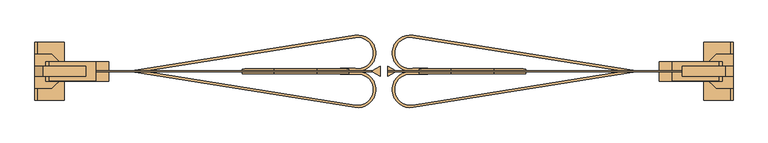
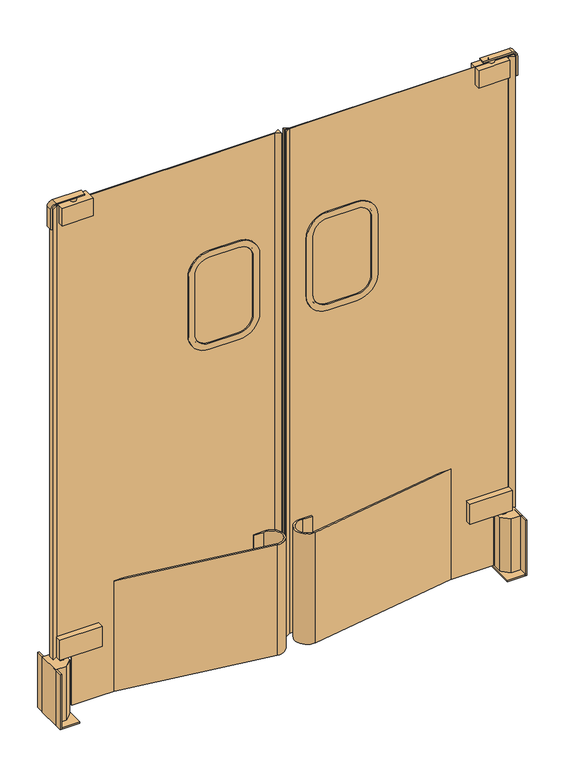
"""IFC4 building model written with IfcOpenShell, lengths in millimetres: door geometry."""

from ifc_helpers import new_model, si_unit, point, frame, frame_2d, origin, origin_with_axes, place, context, project, spatial, polyline, circle_curve, trimmed, segment, composite_curve, outline, extrude, source, transform, mapped, element, save
from ifc_brep_helpers import plane_surface, cylinder_surface, advanced_brep


def door_7c955886(model_context):
    return source(origin(), model_context, "Body", "SolidModel", [
        extrude(outline(composite_curve([segment(trimmed(circle_curve(frame_2d((1638.3, 187.325)), 82.55), [point((1720.85, 187.325))], [point((1638.3, 104.775))], False, "CARTESIAN"), True, "CONTINUOUS"), segment(polyline([(1638.3, 104.775), (1397.0, 104.775)]), True, "CONTINUOUS"), segment(trimmed(circle_curve(frame_2d((1397.0, 187.325)), 82.55), [point((1397.0, 104.775))], [point((1314.45, 187.325))], False, "CARTESIAN"), True, "CONTINUOUS"), segment(polyline([(1314.45, 187.325), (1314.45, 301.625)]), True, "CONTINUOUS"), segment(trimmed(circle_curve(frame_2d((1397.0, 301.625)), 82.55), [point((1314.45, 301.625))], [point((1397.0, 384.175))], False, "CARTESIAN"), True, "CONTINUOUS"), segment(polyline([(1397.0, 384.175), (1638.3, 384.175)]), True, "CONTINUOUS"), segment(trimmed(circle_curve(frame_2d((1638.3, 301.625)), 82.55), [point((1638.3, 384.175))], [point((1720.85, 301.625))], False, "CARTESIAN"), True, "CONTINUOUS"), segment(polyline([(1720.85, 301.625), (1720.85, 187.325)]), True, "CONTINUOUS")], self_intersect=False), holes=[composite_curve([segment(trimmed(circle_curve(frame_2d((1638.3, 187.325)), 57.15), [point((1638.3, 130.175))], [point((1695.45, 187.325))], True, "CARTESIAN"), True, "CONTINUOUS"), segment(polyline([(1695.45, 187.325), (1695.45, 301.625)]), True, "CONTINUOUS"), segment(trimmed(circle_curve(frame_2d((1638.3, 301.625)), 57.15), [point((1695.45, 301.625))], [point((1638.3, 358.775))], True, "CARTESIAN"), True, "CONTINUOUS"), segment(polyline([(1638.3, 358.775), (1397.0, 358.775)]), True, "CONTINUOUS"), segment(trimmed(circle_curve(frame_2d((1397.0, 301.625)), 57.15), [point((1397.0, 358.775))], [point((1339.85, 301.625))], True, "CARTESIAN"), True, "CONTINUOUS"), segment(polyline([(1339.85, 301.625), (1339.85, 187.325)]), True, "CONTINUOUS"), segment(trimmed(circle_curve(frame_2d((1397.0, 187.325)), 57.15), [point((1339.85, 187.325))], [point((1397.0, 130.175))], True, "CARTESIAN"), True, "CONTINUOUS"), segment(polyline([(1397.0, 130.175), (1638.3, 130.175)]), True, "CONTINUOUS")], self_intersect=False)]), frame((0.0, -15.8310058, 0.0), z_axis=(0.0, 1.0, 0.0), x_axis=(0.0, 0.0, 1.0)), (0.0, 0.0, 1.0), 11.90625),
        extrude(outline(composite_curve([segment(trimmed(circle_curve(frame_2d((1397.0, 187.325)), 57.15), [point((1397.0, 130.175))], [point((1339.85, 187.325))], False, "CARTESIAN"), True, "CONTINUOUS"), segment(polyline([(1339.85, 187.325), (1339.85, 301.625)]), True, "CONTINUOUS"), segment(trimmed(circle_curve(frame_2d((1397.0, 301.625)), 57.15), [point((1339.85, 301.625))], [point((1397.0, 358.775))], False, "CARTESIAN"), True, "CONTINUOUS"), segment(polyline([(1397.0, 358.775), (1638.3, 358.775)]), True, "CONTINUOUS"), segment(trimmed(circle_curve(frame_2d((1638.3, 301.625)), 57.15), [point((1638.3, 358.775))], [point((1695.45, 301.625))], False, "CARTESIAN"), True, "CONTINUOUS"), segment(polyline([(1695.45, 301.625), (1695.45, 187.325)]), True, "CONTINUOUS"), segment(trimmed(circle_curve(frame_2d((1638.3, 187.325)), 57.15), [point((1695.45, 187.325))], [point((1638.3, 130.175))], False, "CARTESIAN"), True, "CONTINUOUS"), segment(polyline([(1638.3, 130.175), (1397.0, 130.175)]), True, "CONTINUOUS")], self_intersect=False)), frame((0.0, -11.0685058, 0.0), z_axis=(0.0, 1.0, 0.0), x_axis=(0.0, 0.0, 1.0)), (0.0, 0.0, 1.0), 2.38125),
        extrude(outline(composite_curve([segment(trimmed(circle_curve(frame_2d((1638.3, -276.225)), 82.55), [point((1720.85, -276.225))], [point((1638.3, -358.775))], False, "CARTESIAN"), True, "CONTINUOUS"), segment(polyline([(1638.3, -358.775), (1397.0, -358.775)]), True, "CONTINUOUS"), segment(trimmed(circle_curve(frame_2d((1397.0, -276.225)), 82.55), [point((1397.0, -358.775))], [point((1314.45, -276.225))], False, "CARTESIAN"), True, "CONTINUOUS"), segment(polyline([(1314.45, -276.225), (1314.45, -161.925)]), True, "CONTINUOUS"), segment(trimmed(circle_curve(frame_2d((1397.0, -161.925)), 82.55), [point((1314.45, -161.925))], [point((1397.0, -79.375))], False, "CARTESIAN"), True, "CONTINUOUS"), segment(polyline([(1397.0, -79.375), (1638.3, -79.375)]), True, "CONTINUOUS"), segment(trimmed(circle_curve(frame_2d((1638.3, -161.925)), 82.55), [point((1638.3, -79.375))], [point((1720.85, -161.925))], False, "CARTESIAN"), True, "CONTINUOUS"), segment(polyline([(1720.85, -161.925), (1720.85, -276.225)]), True, "CONTINUOUS")], self_intersect=False), holes=[composite_curve([segment(trimmed(circle_curve(frame_2d((1638.3, -276.225)), 57.15), [point((1638.3, -333.375))], [point((1695.45, -276.225))], True, "CARTESIAN"), True, "CONTINUOUS"), segment(polyline([(1695.45, -276.225), (1695.45, -161.925)]), True, "CONTINUOUS"), segment(trimmed(circle_curve(frame_2d((1638.3, -161.925)), 57.15), [point((1695.45, -161.925))], [point((1638.3, -104.775))], True, "CARTESIAN"), True, "CONTINUOUS"), segment(polyline([(1638.3, -104.775), (1397.0, -104.775)]), True, "CONTINUOUS"), segment(trimmed(circle_curve(frame_2d((1397.0, -161.925)), 57.15), [point((1397.0, -104.775))], [point((1339.85, -161.925))], True, "CARTESIAN"), True, "CONTINUOUS"), segment(polyline([(1339.85, -161.925), (1339.85, -276.225)]), True, "CONTINUOUS"), segment(trimmed(circle_curve(frame_2d((1397.0, -276.225)), 57.15), [point((1339.85, -276.225))], [point((1397.0, -333.375))], True, "CARTESIAN"), True, "CONTINUOUS"), segment(polyline([(1397.0, -333.375), (1638.3, -333.375)]), True, "CONTINUOUS")], self_intersect=False)]), frame((0.0, -15.8310058, 0.0), z_axis=(0.0, 1.0, 0.0), x_axis=(0.0, 0.0, 1.0)), (0.0, 0.0, 1.0), 11.90625),
        extrude(outline(composite_curve([segment(trimmed(circle_curve(frame_2d((1397.0, -276.225)), 57.15), [point((1397.0, -333.375))], [point((1339.85, -276.225))], False, "CARTESIAN"), True, "CONTINUOUS"), segment(polyline([(1339.85, -276.225), (1339.85, -161.925)]), True, "CONTINUOUS"), segment(trimmed(circle_curve(frame_2d((1397.0, -161.925)), 57.15), [point((1339.85, -161.925))], [point((1397.0, -104.775))], False, "CARTESIAN"), True, "CONTINUOUS"), segment(polyline([(1397.0, -104.775), (1638.3, -104.775)]), True, "CONTINUOUS"), segment(trimmed(circle_curve(frame_2d((1638.3, -161.925)), 57.15), [point((1638.3, -104.775))], [point((1695.45, -161.925))], False, "CARTESIAN"), True, "CONTINUOUS"), segment(polyline([(1695.45, -161.925), (1695.45, -276.225)]), True, "CONTINUOUS"), segment(trimmed(circle_curve(frame_2d((1638.3, -276.225)), 57.15), [point((1695.45, -276.225))], [point((1638.3, -333.375))], False, "CARTESIAN"), True, "CONTINUOUS"), segment(polyline([(1638.3, -333.375), (1397.0, -333.375)]), True, "CONTINUOUS")], self_intersect=False)), frame((0.0, -11.0685058, 0.0), z_axis=(0.0, 1.0, 0.0), x_axis=(0.0, 0.0, 1.0)), (0.0, 0.0, 1.0), 2.38125),
        extrude(outline(composite_curve([segment(polyline([(87.8971768, -98.2303993), (632.8910199, -11.0685058), (673.1, -11.0685058), (88.9, -104.5007139)]), True, "CONTINUOUS"), segment(trimmed(circle_curve(frame_2d((81.4286053, -57.7846098)), 47.3097888), [point((88.9, -104.5007139))], [point((88.9, -11.0685058))], False, "CARTESIAN"), True, "CONTINUOUS"), segment(polyline([(88.9, -11.0685058), (127.0, -11.0685058), (127.0, -17.4185058), (88.3771262, -17.4185058)]), True, "CONTINUOUS"), segment(trimmed(circle_curve(frame_2d((81.4286053, -57.7846098)), 40.9597888), [point((88.3771262, -17.4185058))], [point((87.8971768, -98.2303993))], True, "CARTESIAN"), True, "CONTINUOUS")], self_intersect=False)), frame((0.0, 0.0, 25.4), z_axis=(0.0, 0.0, 1.0), x_axis=(1.0, 0.0, 0.0)), (0.0, 0.0, 1.0), 457.2),
        extrude(outline(composite_curve([segment(polyline([(-62.4971768, 78.4746378), (-607.4910199, -8.6872558), (-647.7, -8.6872558), (-63.5, 84.7449524)]), True, "CONTINUOUS"), segment(trimmed(circle_curve(frame_2d((-56.0286053, 38.0288483)), 47.3097888), [point((-63.5, 84.7449524))], [point((-63.5, -8.6872558))], False, "CARTESIAN"), True, "CONTINUOUS"), segment(polyline([(-63.5, -8.6872558), (-101.6, -8.6872558), (-101.6, -2.3372558), (-62.9771262, -2.3372558)]), True, "CONTINUOUS"), segment(trimmed(circle_curve(frame_2d((-56.0286053, 38.0288483)), 40.9597888), [point((-62.9771262, -2.3372558))], [point((-62.4971768, 78.4746378))], True, "CARTESIAN"), True, "CONTINUOUS")], self_intersect=False)), frame((0.0, 0.0, 25.4), z_axis=(0.0, 0.0, 1.0), x_axis=(1.0, 0.0, 0.0)), (0.0, 0.0, 1.0), 457.2),
        extrude(outline(composite_curve([segment(trimmed(circle_curve(frame_2d((-56.0286053, -57.7846098)), 40.9597888), [point((-62.4971768, -98.2303993))], [point((-62.9771262, -17.4185058))], True, "CARTESIAN"), True, "CONTINUOUS"), segment(polyline([(-62.9771262, -17.4185058), (-101.6, -17.4185058), (-101.6, -11.0685058), (-63.5, -11.0685058)]), True, "CONTINUOUS"), segment(trimmed(circle_curve(frame_2d((-56.0286053, -57.7846098)), 47.3097888), [point((-63.5, -11.0685058))], [point((-63.5, -104.5007139))], False, "CARTESIAN"), True, "CONTINUOUS"), segment(polyline([(-63.5, -104.5007139), (-647.7, -11.0685058), (-607.4910199, -11.0685058), (-62.4971768, -98.2303993)]), True, "CONTINUOUS")], self_intersect=False)), frame((0.0, 0.0, 25.4), z_axis=(0.0, 0.0, 1.0), x_axis=(1.0, 0.0, 0.0)), (0.0, 0.0, 1.0), 457.2),
        extrude(outline(composite_curve([segment(trimmed(circle_curve(frame_2d((81.4286053, 38.0288483)), 40.9597888), [point((87.8971768, 78.4746378))], [point((88.3771262, -2.3372558))], True, "CARTESIAN"), True, "CONTINUOUS"), segment(polyline([(88.3771262, -2.3372558), (127.0, -2.3372558), (127.0, -8.6872558), (88.9, -8.6872558)]), True, "CONTINUOUS"), segment(trimmed(circle_curve(frame_2d((81.4286053, 38.0288483)), 47.3097888), [point((88.9, -8.6872558))], [point((88.9, 84.7449524))], False, "CARTESIAN"), True, "CONTINUOUS"), segment(polyline([(88.9, 84.7449524), (673.1, -8.6872558), (632.8910199, -8.6872558), (87.8971768, 78.4746378)]), True, "CONTINUOUS")], self_intersect=False)), frame((0.0, 0.0, 25.4), z_axis=(0.0, 0.0, 1.0), x_axis=(1.0, 0.0, 0.0)), (0.0, 0.0, 1.0), 457.2),
        extrude(outline(polyline([(-873.125, 15.5221192), (-708.025, 15.5221192), (-708.025, -35.2778808), (-873.125, -35.2778808), (-873.125, 15.5221192)])), frame((0.0, 0.0, 247.65), z_axis=(0.0, 0.0, 1.0), x_axis=(1.0, 0.0, 0.0)), (0.0, 0.0, 1.0), 82.55),
        extrude(outline(polyline([(-860.425, -3.5278808), (-847.725, -3.5278808), (-847.725, -16.2278808), (-860.425, -16.2278808), (-860.425, -3.5278808)])), frame((0.0, 0.0, 228.6), z_axis=(0.0, 0.0, 1.0), x_axis=(1.0, 0.0, 0.0)), (0.0, 0.0, 1.0), 19.05),
        extrude(outline(polyline([(-901.7, -54.3278808), (-901.7, 34.5721192), (-857.25, 34.5721192), (-830.3092316, 7.6313509), (-830.3092316, -27.3871124), (-857.25, -54.3278808), (-901.7, -54.3278808)])), origin_with_axes(), (0.0, 0.0, 1.0), 228.6),
        extrude(outline(polyline([(-895.35, -86.0778808), (-901.7, -86.0778808), (-901.7, 66.3221192), (-895.35, 66.3221192), (-895.35, -86.0778808)])), origin_with_axes(), (0.0, 0.0, 1.0), 228.6),
        extrude(outline(polyline([(-901.7, -86.0778808), (-901.7, 66.3221192), (-825.5, 66.3221192), (-825.5, -86.0778808), (-901.7, -86.0778808)])), origin_with_axes(), (0.0, 0.0, 1.0), 6.35),
        extrude(outline(polyline([(898.525, -35.2778808), (733.425, -35.2778808), (733.425, 15.5221192), (898.525, 15.5221192), (898.525, -35.2778808)])), frame((0.0, 0.0, 247.65), z_axis=(0.0, 0.0, 1.0), x_axis=(1.0, 0.0, 0.0)), (0.0, 0.0, 1.0), 82.55),
        extrude(outline(polyline([(885.825, -16.2278808), (873.125, -16.2278808), (873.125, -3.5278808), (885.825, -3.5278808), (885.825, -16.2278808)])), frame((0.0, 0.0, 228.6), z_axis=(0.0, 0.0, 1.0), x_axis=(1.0, 0.0, 0.0)), (0.0, 0.0, 1.0), 19.05),
        extrude(outline(polyline([(927.1, 34.5721192), (927.1, -54.3278808), (882.65, -54.3278808), (855.7092316, -27.3871124), (855.7092316, 7.6313509), (882.65, 34.5721192), (927.1, 34.5721192)])), origin_with_axes(), (0.0, 0.0, 1.0), 228.6),
        extrude(outline(polyline([(920.75, 66.3221192), (927.1, 66.3221192), (927.1, -86.0778808), (920.75, -86.0778808), (920.75, 66.3221192)])), origin_with_axes(), (0.0, 0.0, 1.0), 228.6),
        extrude(outline(polyline([(927.1, 66.3221192), (927.1, -86.0778808), (850.9, -86.0778808), (850.9, 66.3221192), (927.1, 66.3221192)])), origin_with_axes(), (0.0, 0.0, 1.0), 6.35),
        extrude(outline(polyline([(2114.55, 917.575), (2114.55, 22.225), (25.4, 22.225), (25.4, 838.2), (247.65, 838.2), (247.65, 917.575), (2114.55, 917.575)]), holes=[composite_curve([segment(trimmed(circle_curve(frame_2d((1638.3, 187.325)), 63.5), [point((1638.3, 123.825))], [point((1701.8, 187.325))], True, "CARTESIAN"), True, "CONTINUOUS"), segment(polyline([(1701.8, 187.325), (1701.8, 301.625)]), True, "CONTINUOUS"), segment(trimmed(circle_curve(frame_2d((1638.3, 301.625)), 63.5), [point((1701.8, 301.625))], [point((1638.3, 365.125))], True, "CARTESIAN"), True, "CONTINUOUS"), segment(polyline([(1638.3, 365.125), (1397.0, 365.125)]), True, "CONTINUOUS"), segment(trimmed(circle_curve(frame_2d((1397.0, 301.625)), 63.5), [point((1397.0, 365.125))], [point((1333.5, 301.625))], True, "CARTESIAN"), True, "CONTINUOUS"), segment(polyline([(1333.5, 301.625), (1333.5, 187.325)]), True, "CONTINUOUS"), segment(trimmed(circle_curve(frame_2d((1397.0, 187.325)), 63.5), [point((1333.5, 187.325))], [point((1397.0, 123.825))], True, "CARTESIAN"), True, "CONTINUOUS"), segment(polyline([(1397.0, 123.825), (1638.3, 123.825)]), True, "CONTINUOUS")], self_intersect=False)]), frame((0.0, -11.0685058, 0.0), z_axis=(0.0, 1.0, 0.0), x_axis=(0.0, 0.0, 1.0)), (0.0, 0.0, 1.0), 2.38125),
        extrude(outline(polyline([(3.175, 2.8221192), (3.175, -22.5778808), (-17.4472299, -10.6716308), (-17.4472299, -9.0841308), (3.175, 2.8221192)])), frame((0.0, 0.0, 25.4), z_axis=(0.0, 0.0, 1.0), x_axis=(1.0, 0.0, 0.0)), (0.0, 0.0, 1.0), 2089.15),
        extrude(outline(polyline([(22.225, 2.8221192), (42.8472299, -9.0841308), (42.8472299, -10.6716308), (22.225, -22.5778808), (22.225, 2.8221192)])), frame((0.0, 0.0, 25.4), z_axis=(0.0, 0.0, 1.0), x_axis=(1.0, 0.0, 0.0)), (0.0, 0.0, 1.0), 2089.15),
        extrude(outline(polyline([(917.575, 2.8221192), (917.575, -22.5778808), (896.9527701, -10.6716308), (896.9527701, -9.0841308), (917.575, 2.8221192)])), frame((0.0, 0.0, 247.65), z_axis=(0.0, 0.0, 1.0), x_axis=(1.0, 0.0, 0.0)), (0.0, 0.0, 1.0), 1866.9),
        extrude(outline(polyline([(-871.5527701, -10.6716308), (-892.175, -22.5778808), (-892.175, 2.8221192), (-871.5527701, -9.0841308), (-871.5527701, -10.6716308)])), frame((0.0, 0.0, 247.65), z_axis=(0.0, 0.0, 1.0), x_axis=(1.0, 0.0, 0.0)), (0.0, 0.0, 1.0), 1866.9),
        extrude(outline(composite_curve([segment(polyline([(2133.6, -768.35), (2133.6, -881.0625)]), True, "CONTINUOUS"), segment(trimmed(circle_curve(frame_2d((2112.9625, -881.0625)), 20.6375), [point((2133.6, -881.0625))], [point((2112.9625, -901.7))], False, "CARTESIAN"), True, "CONTINUOUS"), segment(polyline([(2112.9625, -901.7), (2032.0, -901.7), (2032.0, -896.9375), (2112.9625, -896.9375)]), True, "CONTINUOUS"), segment(trimmed(circle_curve(frame_2d((2112.9625, -881.0625)), 15.875), [point((2112.9625, -896.9375))], [point((2128.8375, -881.0625))], True, "CARTESIAN"), True, "CONTINUOUS"), segment(polyline([(2128.8375, -881.0625), (2128.8375, -768.35), (2133.6, -768.35)]), True, "CONTINUOUS")], self_intersect=False)), frame((0.0, -22.5778808, 0.0), z_axis=(0.0, 1.0, 0.0), x_axis=(0.0, 0.0, 1.0)), (0.0, 0.0, 1.0), 25.4),
        extrude(outline(polyline([(-863.5148798, 15.5221192), (-742.2611073, 15.5221192), (-742.2611073, -35.2778808), (-863.5148798, -35.2778808), (-863.5148798, 15.5221192)])), frame((0.0, 0.0, 2042.0984652), z_axis=(0.0, 0.0, 1.0), x_axis=(1.0, 0.0, 0.0)), (0.0, 0.0, 1.0), 72.4515348),
        extrude(outline(composite_curve([segment(polyline([(2133.6, 793.75), (2128.8375, 793.75), (2128.8375, 906.4625)]), True, "CONTINUOUS"), segment(trimmed(circle_curve(frame_2d((2112.9625, 906.4625)), 15.875), [point((2128.8375, 906.4625))], [point((2112.9625, 922.3375))], True, "CARTESIAN"), True, "CONTINUOUS"), segment(polyline([(2112.9625, 922.3375), (2032.0, 922.3375), (2032.0, 927.1), (2112.9625, 927.1)]), True, "CONTINUOUS"), segment(trimmed(circle_curve(frame_2d((2112.9625, 906.4625)), 20.6375), [point((2112.9625, 927.1))], [point((2133.6, 906.4625))], False, "CARTESIAN"), True, "CONTINUOUS"), segment(polyline([(2133.6, 906.4625), (2133.6, 793.75)]), True, "CONTINUOUS")], self_intersect=False)), frame((0.0, -22.5778808, 0.0), z_axis=(0.0, 1.0, 0.0), x_axis=(0.0, 0.0, 1.0)), (0.0, 0.0, 1.0), 25.4),
        extrude(outline(polyline([(2114.55, 3.175), (2114.55, -892.175), (247.65, -892.175), (247.65, -812.8), (25.4, -812.8), (25.4, 3.175), (2114.55, 3.175)]), holes=[composite_curve([segment(trimmed(circle_curve(frame_2d((1638.3, -276.225)), 63.5), [point((1638.3, -339.725))], [point((1701.8, -276.225))], True, "CARTESIAN"), True, "CONTINUOUS"), segment(polyline([(1701.8, -276.225), (1701.8, -161.925)]), True, "CONTINUOUS"), segment(trimmed(circle_curve(frame_2d((1638.3, -161.925)), 63.5), [point((1701.8, -161.925))], [point((1638.3, -98.425))], True, "CARTESIAN"), True, "CONTINUOUS"), segment(polyline([(1638.3, -98.425), (1397.0, -98.425)]), True, "CONTINUOUS"), segment(trimmed(circle_curve(frame_2d((1397.0, -161.925)), 63.5), [point((1397.0, -98.425))], [point((1333.5, -161.925))], True, "CARTESIAN"), True, "CONTINUOUS"), segment(polyline([(1333.5, -161.925), (1333.5, -276.225)]), True, "CONTINUOUS"), segment(trimmed(circle_curve(frame_2d((1397.0, -276.225)), 63.5), [point((1333.5, -276.225))], [point((1397.0, -339.725))], True, "CARTESIAN"), True, "CONTINUOUS"), segment(polyline([(1397.0, -339.725), (1638.3, -339.725)]), True, "CONTINUOUS")], self_intersect=False)]), frame((0.0, -11.0685058, 0.0), z_axis=(0.0, 1.0, 0.0), x_axis=(0.0, 0.0, 1.0)), (0.0, 0.0, 1.0), 2.38125),
        extrude(outline(polyline([(767.6611073, 15.5221192), (888.9148798, 15.5221192), (888.9148798, -35.2778808), (767.6611073, -35.2778808), (767.6611073, 15.5221192)])), frame((0.0, 0.0, 2042.0984652), z_axis=(0.0, 0.0, 1.0), x_axis=(1.0, 0.0, 0.0)), (0.0, 0.0, 1.0), 72.4515348),
        advanced_brep(
        [(-795.3375, -9.8778808, 2128.8375), (-817.5625, -9.8778808, 2128.8375), (-817.5625, -9.8778808, 2114.55), (-795.3375, -9.8778808, 2114.55), (-806.45, -9.8778808, 2128.8375), (-806.45, -9.8778808, 2114.55)],
        [
            (0, 1, circle_curve(frame((-806.45, -9.8778808, 2128.8375), z_axis=(0.0, 0.0, -1.0), x_axis=(-1.0, 0.0, 0.0)), 11.1125)),
            (1, 2),
            (2, 3, circle_curve(frame((-806.45, -9.8778808, 2114.55), z_axis=(0.0, 0.0, 1.0), x_axis=(-1.0, 0.0, 0.0)), 11.1125)),
            (3, 0),
            (1, 0, circle_curve(frame((-806.45, -9.8778808, 2128.8375), z_axis=(0.0, 0.0, -1.0), x_axis=(-1.0, 0.0, 0.0)), 11.1125)),
            (3, 2, circle_curve(frame((-806.45, -9.8778808, 2114.55), z_axis=(0.0, 0.0, 1.0), x_axis=(-1.0, 0.0, 0.0)), 11.1125)),
            (4, 1),
            (0, 4),
            (2, 5),
            (5, 3),
        ],
        [
            cylinder_surface(frame((-806.45, -9.8778808, -41.502018), z_axis=(0.0, 0.0, 1.0), x_axis=(-1.0, 0.0, 0.0)), 11.1125),
            plane_surface(frame((-806.45, -9.8778808, 2128.8375), z_axis=(0.0, 0.0, 1.0), x_axis=(-1.0, 0.0, 0.0))),
            plane_surface(frame((-806.45, -9.8778808, 2114.55), z_axis=(0.0, 0.0, -1.0), x_axis=(-1.0, 0.0, 0.0))),
        ],
        [
            (0, [[1, 2, 3, 4]]),
            (0, [[5, -4, 6, -2]]),
            (1, [[7, -1, 8]]),
            (1, [[-8, -5, -7]]),
            (2, [[-3, 9, 10]]),
            (2, [[-6, -10, -9]]),
        ],
    ),
        advanced_brep(
        [(831.85, -9.8778808, 2114.55), (842.9625, -9.8778808, 2114.55), (820.7375, -9.8778808, 2114.55), (820.7375, -9.8778808, 2128.8375), (842.9625, -9.8778808, 2128.8375), (831.85, -9.8778808, 2128.8375)],
        [
            (0, 1),
            (1, 2, circle_curve(frame((831.85, -9.8778808, 2114.55), z_axis=(0.0, 0.0, -1.0), x_axis=(1.0, 0.0, 0.0)), 11.1125)),
            (2, 0),
            (2, 1, circle_curve(frame((831.85, -9.8778808, 2114.55), z_axis=(0.0, 0.0, -1.0), x_axis=(1.0, 0.0, 0.0)), 11.1125)),
            (3, 4, circle_curve(frame((831.85, -9.8778808, 2128.8375), z_axis=(0.0, 0.0, 1.0), x_axis=(1.0, 0.0, 0.0)), 11.1125)),
            (4, 5),
            (5, 3),
            (4, 3, circle_curve(frame((831.85, -9.8778808, 2128.8375), z_axis=(0.0, 0.0, 1.0), x_axis=(1.0, 0.0, 0.0)), 11.1125)),
            (1, 4),
            (3, 2),
        ],
        [
            plane_surface(frame((831.85, -9.8778808, 2114.55), z_axis=(0.0, 0.0, -1.0), x_axis=(1.0, 0.0, 0.0))),
            plane_surface(frame((831.85, -9.8778808, 2128.8375), z_axis=(0.0, 0.0, 1.0), x_axis=(1.0, 0.0, 0.0))),
            cylinder_surface(frame((831.85, -9.8778808, -41.502018), z_axis=(0.0, 0.0, -1.0), x_axis=(1.0, 0.0, 0.0)), 11.1125),
        ],
        [
            (0, [[1, 2, 3]]),
            (0, [[-3, 4, -1]]),
            (1, [[5, 6, 7]]),
            (1, [[8, -7, -6]]),
            (2, [[-2, 9, -5, 10]]),
            (2, [[-4, -10, -8, -9]]),
        ],
    ),
    ])


if __name__ == "__main__":
    model = new_model("IFC4")
    model_context = context("Model", 3, world=origin())
    ifc_project = project(units=[si_unit("LENGTHUNIT", "METRE", prefix="MILLI")], contexts=[model_context])
    site = spatial("IfcSite", under=ifc_project)
    building = spatial("IfcBuilding", under=site)
    placement = place(None, origin())
    door_shape = door_7c955886(model_context)
    element("IfcDoor", 1, at=placement, inside=building, context=model_context, shape_type="MappedRepresentation", body=[
        mapped(door_shape, transform((0.0, 0.0, 0.0), x_axis=(1.0, 0.0, 0.0), y_axis=(0.0, 1.0, 0.0), z_axis=(0.0, 0.0, 1.0))),
    ])
    save(model, "model.ifc")
